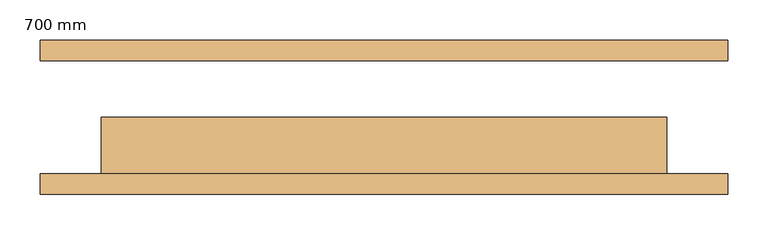
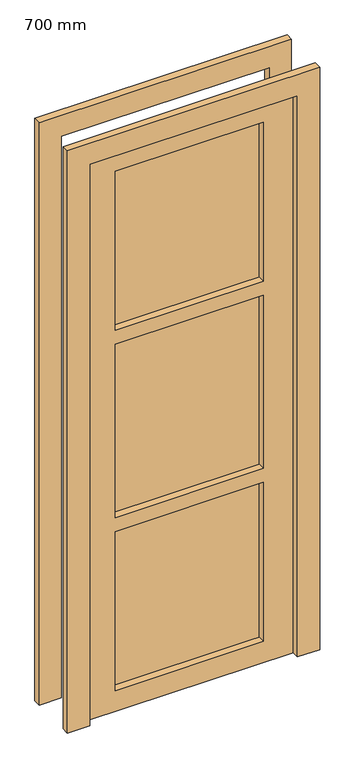
"""IFC4 building model written with IfcOpenShell, lengths in millimetres: door geometry, 700 mm."""

from ifc_helpers import new_model, si_unit, frame, origin, place, context, project, spatial, polyline, outline, extrude, source, transform, mapped, element, save


def door_700_mm_453bcc7b(model_context):
    return source(origin(), model_context, "Body", "SweptSolid", [
        extrude(outline(polyline([(2000.0, -350.0), (2000.0, 350.0), (0.0, 350.0), (0.0, 425.0), (2075.0, 425.0), (2075.0, -425.0), (0.0, -425.0), (0.0, -350.0), (2000.0, -350.0)])), frame((0.0, -95.0, 0.0), z_axis=(0.0, 1.0, 0.0), x_axis=(0.0, 0.0, 1.0)), (0.0, 0.0, 1.0), 25.0),
        extrude(outline(polyline([(2075.0, -425.0), (0.0, -425.0), (0.0, -350.0), (2000.0, -350.0), (2000.0, 350.0), (0.0, 350.0), (0.0, 425.0), (2075.0, 425.0), (2075.0, -425.0)])), frame((0.0, 70.0, 0.0), z_axis=(0.0, 1.0, 0.0), x_axis=(0.0, 0.0, 1.0)), (0.0, 0.0, 1.0), 25.0),
        extrude(outline(polyline([(-250.0, -45.0), (-250.0, -20.0), (250.0, -20.0), (250.0, -45.0), (-250.0, -45.0)])), frame((0.0, 0.0, 691.7), z_axis=(0.0, 0.0, 1.0), x_axis=(1.0, 0.0, 0.0)), (0.0, 0.0, 1.0), 616.7),
        extrude(outline(polyline([(2000.0, -350.0), (0.0, -350.0), (0.0, 350.0), (2000.0, 350.0), (2000.0, -350.0)]), holes=[polyline([(1308.4, 250.0), (691.7, 250.0), (691.7, -250.0), (1308.4, -250.0), (1308.4, 250.0)]), polyline([(641.7333333, 250.0), (75.0333333, 250.0), (75.0333333, -250.0), (641.7333333, -250.0), (641.7333333, 250.0)]), polyline([(1925.0666667, 250.0), (1358.3666667, 250.0), (1358.3666667, -250.0), (1925.0666667, -250.0), (1925.0666667, 250.0)])]), frame((0.0, -70.0, 0.0), z_axis=(0.0, 1.0, 0.0), x_axis=(0.0, 0.0, 1.0)), (0.0, 0.0, 1.0), 70.0),
        extrude(outline(polyline([(-250.0, -45.0), (-250.0, -20.0), (250.0, -20.0), (250.0, -45.0), (-250.0, -45.0)])), frame((0.0, 0.0, 25.0333333), z_axis=(0.0, 0.0, 1.0), x_axis=(1.0, 0.0, 0.0)), (0.0, 0.0, 1.0), 616.7),
        extrude(outline(polyline([(-250.0, -45.0), (-250.0, -20.0), (250.0, -20.0), (250.0, -45.0), (-250.0, -45.0)])), frame((0.0, 0.0, 1358.3666667), z_axis=(0.0, 0.0, 1.0), x_axis=(1.0, 0.0, 0.0)), (0.0, 0.0, 1.0), 616.7),
    ])


if __name__ == "__main__":
    model = new_model("IFC4")
    model_context = context("Model", 3, world=origin())
    ifc_project = project(units=[si_unit("LENGTHUNIT", "METRE", prefix="MILLI")], contexts=[model_context])
    site = spatial("IfcSite", under=ifc_project)
    building = spatial("IfcBuilding", under=site)
    placement = place(None, origin())
    door_700_mm_shape = door_700_mm_453bcc7b(model_context)
    element("IfcDoor", 1, ObjectType="700 mm", at=placement, inside=building, context=model_context, shape_type="MappedRepresentation", body=[
        mapped(door_700_mm_shape, transform((0.0, 0.0, 0.0), x_axis=(1.0, 0.0, 0.0), y_axis=(0.0, 1.0, 0.0), z_axis=(0.0, 0.0, 1.0))),
    ])
    save(model, "model.ifc")
